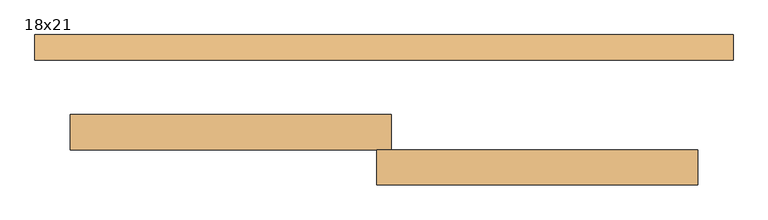
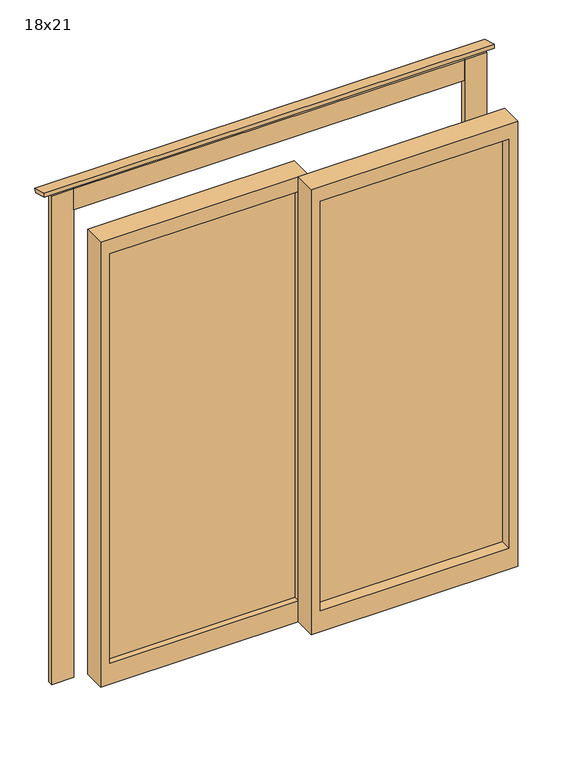
"""IFC4 building model written with IfcOpenShell, lengths in millimetres: door geometry, 18x21."""

from ifc_helpers import new_model, si_unit, frame, origin, place, context, project, spatial, polyline, outline, extrude, source, transform, mapped, element, save


def door_18x21_4c1729f0(model_context):
    return source(origin(), model_context, "Body", "SweptSolid", [
        extrude(outline(polyline([(-735.2, 188.0), (-735.2, 210.0), (994.8, 210.0), (994.8, 188.0), (-735.2, 188.0)])), frame((0.0, 0.0, 2080.0), z_axis=(0.0, 0.0, 1.0), x_axis=(1.0, 0.0, 0.0)), (0.0, 0.0, 1.0), 98.0),
        extrude(outline(polyline([(260.444437, 2183.9885716), (255.5268751, 2165.6359809), (188.0, 2183.7297526), (188.0, 2203.4), (260.444437, 2183.9885716)])), frame((-866.2, 0.0, 0.0), z_axis=(1.0, 0.0, 0.0), x_axis=(0.0, 1.0, 0.0)), (0.0, 0.0, 1.0), 1992.0),
        extrude(outline(polyline([(1092.8, 188.0), (994.8, 188.0), (994.8, 210.0), (1092.8, 210.0), (1092.8, 188.0)])), frame((0.0, 0.0, -108.0), z_axis=(0.0, 0.0, 1.0), x_axis=(1.0, 0.0, 0.0)), (0.0, 0.0, 1.0), 2286.0),
        extrude(outline(polyline([(-735.2, 188.0), (-833.2, 188.0), (-833.2, 210.0), (-735.2, 210.0), (-735.2, 188.0)])), frame((0.0, 0.0, -108.0), z_axis=(0.0, 0.0, 1.0), x_axis=(1.0, 0.0, 0.0)), (0.0, 0.0, 1.0), 2286.0),
        extrude(outline(polyline([(149.8, -93.0), (984.8, -93.0), (984.8, -118.0), (149.8, -118.0), (149.8, -93.0)])), frame((0.0, 0.0, 110.0), z_axis=(0.0, 0.0, 1.0), x_axis=(1.0, 0.0, 0.0)), (0.0, 0.0, 1.0), 1915.0),
        extrude(outline(polyline([(2095.0, 109.8), (10.0, 109.8), (10.0, 1024.8), (2095.0, 1024.8), (2095.0, 109.8)]), holes=[polyline([(2025.0, 149.8), (2025.0, 984.8), (110.0, 984.8), (110.0, 149.8), (2025.0, 149.8)])]), frame((0.0, -168.0, 0.0), z_axis=(0.0, 1.0, 0.0), x_axis=(0.0, 0.0, 1.0)), (0.0, 0.0, 1.0), 100.0),
        extrude(outline(polyline([(2095.0, 149.8), (2095.0, -765.2), (10.0, -765.2), (10.0, 149.8), (2095.0, 149.8)]), holes=[polyline([(2025.0, 109.8), (110.0, 109.8), (110.0, -725.2), (2025.0, -725.2), (2025.0, 109.8)])]), frame((0.0, -68.0, 0.0), z_axis=(0.0, 1.0, 0.0), x_axis=(0.0, 0.0, 1.0)), (0.0, 0.0, 1.0), 100.0),
        extrude(outline(polyline([(109.8, -43.0), (-725.2, -43.0), (-725.2, -18.0), (109.8, -18.0), (109.8, -43.0)])), frame((0.0, 0.0, 110.0), z_axis=(0.0, 0.0, 1.0), x_axis=(1.0, 0.0, 0.0)), (0.0, 0.0, 1.0), 1915.0),
    ])


if __name__ == "__main__":
    model = new_model("IFC4")
    model_context = context("Model", 3, world=origin())
    ifc_project = project(units=[si_unit("LENGTHUNIT", "METRE", prefix="MILLI")], contexts=[model_context])
    site = spatial("IfcSite", under=ifc_project)
    building = spatial("IfcBuilding", under=site)
    placement = place(None, origin())
    door_18x21_shape = door_18x21_4c1729f0(model_context)
    element("IfcDoor", 1, ObjectType="18x21", at=placement, inside=building, context=model_context, shape_type="MappedRepresentation", body=[
        mapped(door_18x21_shape, transform((0.0, 0.0, 0.0), x_axis=(1.0, 0.0, 0.0), y_axis=(0.0, 1.0, 0.0), z_axis=(0.0, 0.0, 1.0))),
    ])
    save(model, "model.ifc")
